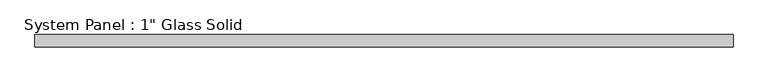
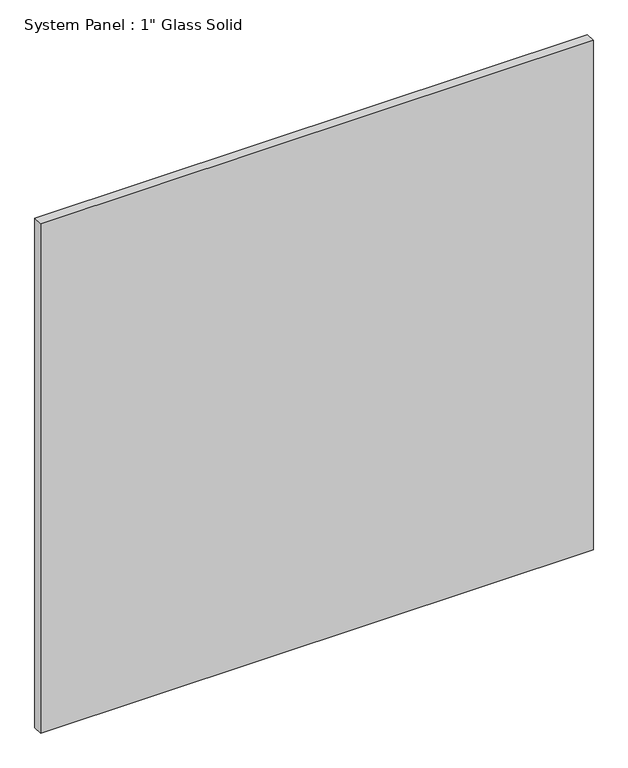
"""IFC4 building model written with IfcOpenShell, lengths in millimetres: plate geometry."""

from ifc_helpers import new_model, si_unit, origin, origin_with_axes, place, context, project, spatial, polyline, outline, extrude, source, transform, mapped, element, save


def plate_f3dea73c(model_context):
    return source(origin(), model_context, "Body", "SweptSolid", [
        extrude(outline(polyline([(720.7764199, -12.7), (-720.7764199, -12.7), (-720.7764199, 12.7), (720.7764199, 12.7), (720.7764199, -12.7)])), origin_with_axes(), (0.0, 0.0, 1.0), 1404.0991382),
    ])


if __name__ == "__main__":
    model = new_model("IFC4")
    model_context = context("Model", 3, world=origin())
    ifc_project = project(units=[si_unit("LENGTHUNIT", "METRE", prefix="MILLI")], contexts=[model_context])
    site = spatial("IfcSite", under=ifc_project)
    building = spatial("IfcBuilding", under=site)
    placement = place(None, origin())
    plate_shape = plate_f3dea73c(model_context)
    element("IfcPlate", 1, ObjectType="System Panel : 1\" Glass Solid", at=placement, inside=building, context=model_context, shape_type="MappedRepresentation", body=[
        mapped(plate_shape, transform((0.0, 0.0, 0.0), x_axis=(1.0, 0.0, 0.0), y_axis=(0.0, 1.0, 0.0), z_axis=(0.0, 0.0, 1.0))),
    ])
    save(model, "model.ifc")
